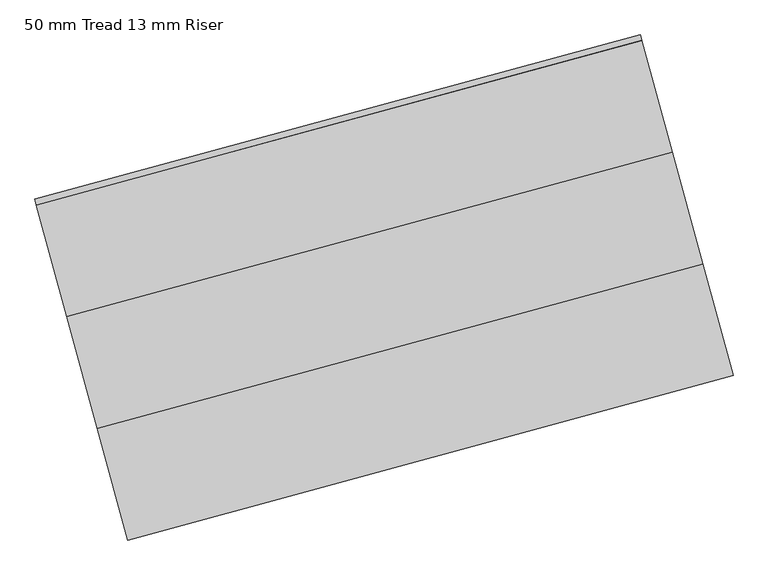
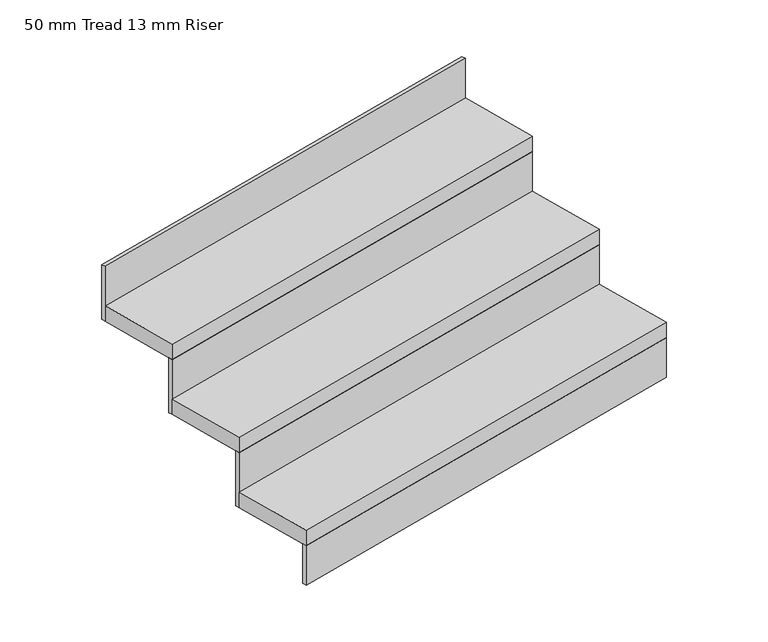
"""IFC4 building model written with IfcOpenShell, lengths in millimetres: stair flight geometry, 50 mm Tread 13 mm Riser."""

from ifc_helpers import new_model, si_unit, frame, origin, origin_with_axes, place, context, project, spatial, polyline, outline, extrude, source, transform, mapped, element, save


def stair_flight_50_mm_tread_13_mm_riser_4704df1d(model_context):
    return source(origin(), model_context, "Body", "SweptSolid", [
        extrude(outline(polyline([(188017.0124428, -74330.968865), (188020.2910533, -74343.0312326), (186713.8466628, -74698.129201), (186710.5680523, -74686.0668333), (188017.0124428, -74330.968865)])), origin_with_axes(), (0.0, 0.0, 1.0), 127.7777778),
        extrude(outline(polyline([(186648.2744535, -74456.8818479), (187954.718844, -74101.7838795), (188020.2910533, -74343.0312326), (186713.8466628, -74698.129201), (186648.2744535, -74456.8818479)])), frame((0.0, 0.0, 127.7777778), z_axis=(0.0, 0.0, 1.0), x_axis=(1.0, 0.0, 0.0)), (0.0, 0.0, 1.0), 50.0),
        extrude(outline(polyline([(187951.4402335, -74089.7215119), (187954.718844, -74101.7838795), (186648.2744535, -74456.8818479), (186644.9958431, -74444.8194802), (187951.4402335, -74089.7215119)])), frame((0.0, 0.0, 127.7777778), z_axis=(0.0, 0.0, 1.0), x_axis=(1.0, 0.0, 0.0)), (0.0, 0.0, 1.0), 177.7777778),
        extrude(outline(polyline([(186582.7022443, -74215.6344948), (187889.1466348, -73860.5365264), (187954.718844, -74101.7838795), (186648.2744535, -74456.8818479), (186582.7022443, -74215.6344948)])), frame((0.0, 0.0, 305.5555556), z_axis=(0.0, 0.0, 1.0), x_axis=(1.0, 0.0, 0.0)), (0.0, 0.0, 1.0), 50.0),
        extrude(outline(polyline([(187885.8680243, -73848.4741588), (187889.1466348, -73860.5365264), (186582.7022443, -74215.6344948), (186579.4236338, -74203.5721272), (187885.8680243, -73848.4741588)])), frame((0.0, 0.0, 305.5555556), z_axis=(0.0, 0.0, 1.0), x_axis=(1.0, 0.0, 0.0)), (0.0, 0.0, 1.0), 177.7777778),
        extrude(outline(polyline([(187820.295815, -73607.2268057), (187823.5744255, -73619.2891734), (186517.130035, -73974.3871417), (186513.8514246, -73962.3247741), (187820.295815, -73607.2268057)])), frame((0.0, 0.0, 483.3333333), z_axis=(0.0, 0.0, 1.0), x_axis=(1.0, 0.0, 0.0)), (0.0, 0.0, 1.0), 177.7777778),
        extrude(outline(polyline([(186517.130035, -73974.3871417), (187823.5744255, -73619.2891734), (187889.1466348, -73860.5365264), (186582.7022443, -74215.6344948), (186517.130035, -73974.3871417)])), frame((0.0, 0.0, 483.3333333), z_axis=(0.0, 0.0, 1.0), x_axis=(1.0, 0.0, 0.0)), (0.0, 0.0, 1.0), 50.0),
    ])


if __name__ == "__main__":
    model = new_model("IFC4")
    model_context = context("Model", 3, world=origin())
    ifc_project = project(units=[si_unit("LENGTHUNIT", "METRE", prefix="MILLI")], contexts=[model_context])
    site = spatial("IfcSite", under=ifc_project)
    building = spatial("IfcBuilding", under=site)
    placement = place(None, origin())
    stair_flight_50_mm_tread_13_mm_riser_shape = stair_flight_50_mm_tread_13_mm_riser_4704df1d(model_context)
    element("IfcStairFlight", 1, ObjectType="50 mm Tread 13 mm Riser", at=placement, inside=building, context=model_context, shape_type="MappedRepresentation", body=[
        mapped(stair_flight_50_mm_tread_13_mm_riser_shape, transform((0.0, 0.0, 0.0), x_axis=(1.0, 0.0, 0.0), y_axis=(0.0, 1.0, 0.0), z_axis=(0.0, 0.0, 1.0))),
    ])
    save(model, "model.ifc")
